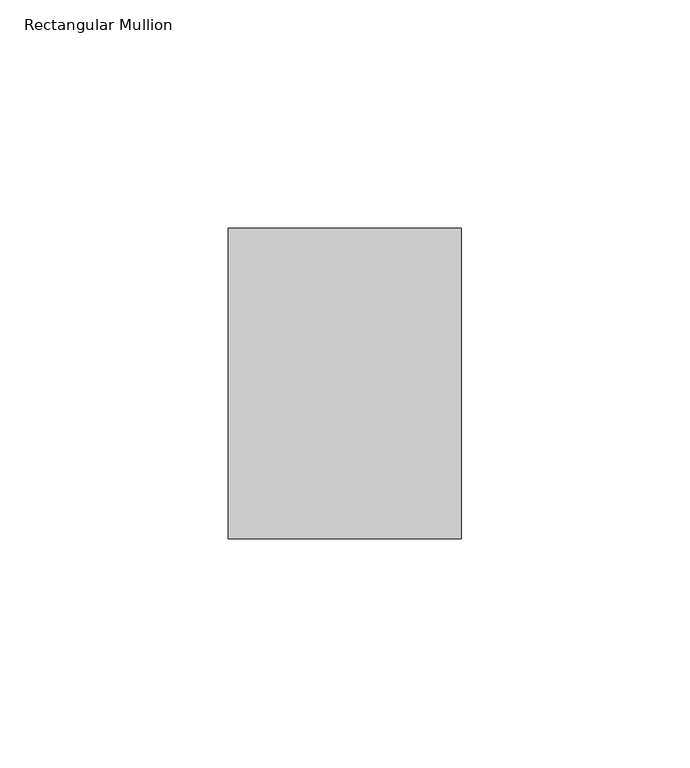
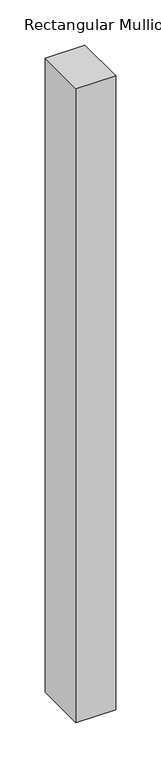
"""IFC4 building model written with IfcOpenShell, lengths in millimetres: member geometry, Rectangular Mullion."""

from ifc_helpers import new_model, si_unit, frame, origin, place, context, project, spatial, polyline, outline, extrude, source, transform, mapped, element, save


def rectangular_mullion_4caecb5a(model_context):
    return source(origin(), model_context, "Body", "SweptSolid", [
        extrude(outline(polyline([(0.0, 68.0), (0.0, 0.0), (-51.0, 0.0), (-51.0, 68.0), (0.0, 68.0)])), frame((0.0, 0.0, -859.0), z_axis=(0.0, 0.0, 1.0), x_axis=(1.0, 0.0, 0.0)), (0.0, 0.0, 1.0), 859.0),
    ])


if __name__ == "__main__":
    model = new_model("IFC4")
    model_context = context("Model", 3, world=origin())
    ifc_project = project(units=[si_unit("LENGTHUNIT", "METRE", prefix="MILLI")], contexts=[model_context])
    site = spatial("IfcSite", under=ifc_project)
    building = spatial("IfcBuilding", under=site)
    placement = place(None, origin())
    rectangular_mullion_shape = rectangular_mullion_4caecb5a(model_context)
    element("IfcMember", 1, ObjectType="Rectangular Mullion", at=placement, inside=building, context=model_context, shape_type="MappedRepresentation", body=[
        mapped(rectangular_mullion_shape, transform((0.0, 0.0, 0.0), x_axis=(1.0, 0.0, 0.0), y_axis=(0.0, 1.0, 0.0), z_axis=(0.0, 0.0, 1.0))),
    ])
    save(model, "model.ifc")
